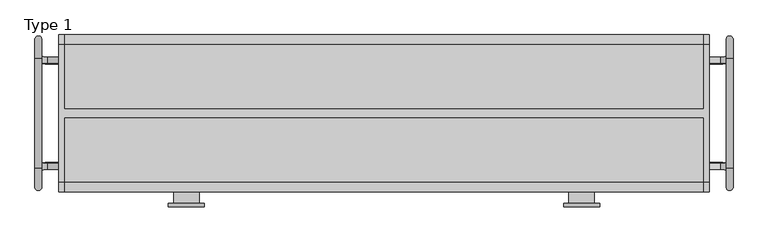
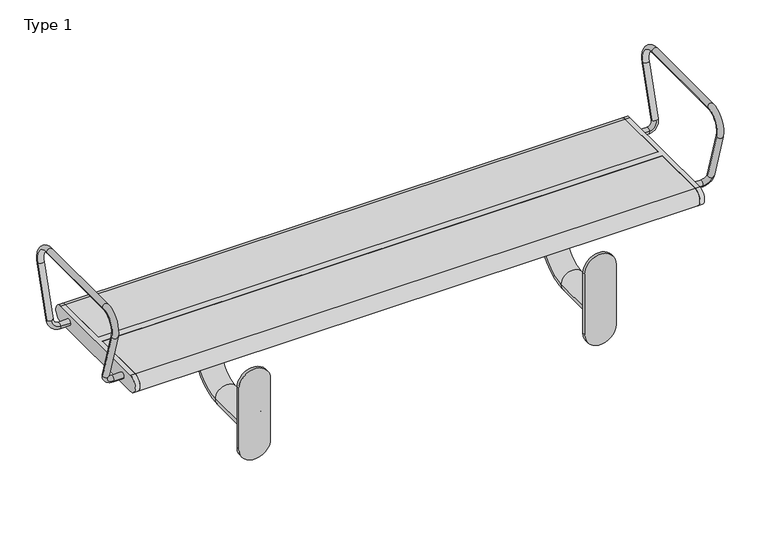
"""IFC4 building model written with IfcOpenShell, lengths in millimetres: furniture geometry, Type 1."""

from ifc_helpers import new_model, si_unit, point, frame, frame_2d, origin, place, context, project, spatial, polyline, circle_curve, ellipse_curve, trimmed, segment, composite_curve, outline, extrude, source, transform, mapped, element, save
from ifc_brep_helpers import plane_surface, cylinder_surface, revolved_surface, advanced_brep


def type_1_9a5f5e9f(model_context):
    return source(origin(), model_context, "Body", "SolidModel", [
        advanced_brep(
        [(922.0, 522.1398058, 447.5823999), (922.0, 563.6460701, 583.3432733), (938.0, 563.6460701, 583.3432733), (938.0, 522.1398058, 447.5823999), (930.0, 529.7902438, 445.2434262), (930.0, 514.4893678, 449.9213735), (938.0, 520.6123561, 641.5), (922.0, 520.6123561, 641.5), (922.0, 265.3876439, 641.5), (938.0, 265.3876439, 641.5), (922.0, 222.3539299, 583.3432733), (938.0, 222.3539299, 583.3432733), (922.0, 263.8601942, 447.5823999), (930.0, 256.2097562, 445.2434262), (938.0, 263.8601942, 447.5823999), (930.0, 271.5106322, 449.9213735), (909.0, 277.650438, 429.8389736), (909.0, 262.349562, 425.1610264), (882.0, 262.349562, 425.1610264), (882.0, 277.650438, 429.8389736), (909.0, 523.650438, 425.1610264), (909.0, 508.349562, 429.8389736), (882.0, 523.650438, 425.1610264), (882.0, 508.349562, 429.8389736)],
        [
            (0, 1),
            (1, 2, circle_curve(frame((930.0, 563.6460701, 583.3432733), z_axis=(0.0, -0.2923717047227381, -0.9563047559630351), x_axis=(-1.0, 0.0, 0.0)), 8.0)),
            (2, 3),
            (3, 4, circle_curve(frame((930.0, 522.1398058, 447.5823999), z_axis=(0.0, 0.2923717047227381, 0.9563047559630351), x_axis=(-1.0, 0.0, 0.0)), 8.0)),
            (4, 0, circle_curve(frame((930.0, 522.1398058, 447.5823999), z_axis=(0.0, 0.2923717047227381, 0.9563047559630351), x_axis=(-1.0, 0.0, 0.0)), 8.0)),
            (0, 5, circle_curve(frame((930.0, 522.1398058, 447.5823999), z_axis=(0.0, 0.2923717047227381, 0.9563047559630351), x_axis=(-1.0, 0.0, 0.0)), 8.0)),
            (5, 3, circle_curve(frame((930.0, 522.1398058, 447.5823999), z_axis=(0.0, 0.2923717047227381, 0.9563047559630351), x_axis=(-1.0, 0.0, 0.0)), 8.0)),
            (2, 1, circle_curve(frame((930.0, 563.6460701, 583.3432733), z_axis=(0.0, -0.2923717047227381, -0.9563047559630351), x_axis=(-1.0, 0.0, 0.0)), 8.0)),
            (6, 7, circle_curve(frame((930.0, 520.6123561, 641.5), z_axis=(0.0, -1.0, 0.0), x_axis=(-1.0, 0.0, 0.0)), 8.0)),
            (7, 8),
            (8, 9, circle_curve(frame((930.0, 265.3876439, 641.5), z_axis=(0.0, 1.0, 0.0), x_axis=(-1.0, 0.0, 0.0)), 8.0)),
            (9, 6),
            (7, 6, circle_curve(frame((930.0, 520.6123561, 641.5), z_axis=(0.0, -1.0, 0.0), x_axis=(-1.0, 0.0, 0.0)), 8.0)),
            (9, 8, circle_curve(frame((930.0, 265.3876439, 641.5), z_axis=(0.0, 1.0, 0.0), x_axis=(-1.0, 0.0, 0.0)), 8.0)),
            (1, 7, circle_curve(frame((922.0, 520.6123561, 596.5), z_axis=(1.0, 0.0, 0.0), x_axis=(0.0, 0.9563047559630351, -0.2923717047227379)), 45.0)),
            (6, 2, circle_curve(frame((938.0, 520.6123561, 596.5), z_axis=(-1.0, 0.0, 0.0), x_axis=(0.0, 0.9563047559630351, -0.2923717047227379)), 45.0)),
            (8, 10, circle_curve(frame((922.0, 265.3876439, 596.5), z_axis=(1.0, 0.0, 0.0), x_axis=(0.0, 0.0, 1.0)), 45.0)),
            (10, 11, circle_curve(frame((930.0, 222.3539299, 583.3432733), z_axis=(0.0, -0.29237170472274115, 0.9563047559630341), x_axis=(-1.0, 0.0, 0.0)), 8.0)),
            (11, 9, circle_curve(frame((938.0, 265.3876439, 596.5), z_axis=(-1.0, 0.0, 0.0), x_axis=(0.0, 0.0, 1.0)), 45.0)),
            (11, 10, circle_curve(frame((930.0, 222.3539299, 583.3432733), z_axis=(0.0, -0.29237170472274093, 0.9563047559630342), x_axis=(-1.0, 0.0, 0.0)), 8.0)),
            (10, 12),
            (12, 13, circle_curve(frame((930.0, 263.8601942, 447.5823999), z_axis=(0.0, -0.29237170472273494, 0.9563047559630361), x_axis=(-1.0, 0.0, 0.0)), 8.0)),
            (13, 14, circle_curve(frame((930.0, 263.8601942, 447.5823999), z_axis=(0.0, -0.29237170472273494, 0.9563047559630361), x_axis=(-1.0, 0.0, 0.0)), 8.0)),
            (14, 11),
            (14, 15, circle_curve(frame((930.0, 263.8601942, 447.5823999), z_axis=(0.0, -0.29237170472273494, 0.9563047559630361), x_axis=(-1.0, 0.0, 0.0)), 8.0)),
            (15, 12, circle_curve(frame((930.0, 263.8601942, 447.5823999), z_axis=(0.0, -0.29237170472273494, 0.9563047559630361), x_axis=(-1.0, 0.0, 0.0)), 8.0)),
            (16, 15, circle_curve(frame((909.0, 271.5106322, 449.9213735), z_axis=(0.0, -0.9563047559630359, -0.29237170472273544), x_axis=(1.0, 0.0, 0.0)), 21.0)),
            (13, 17, circle_curve(frame((909.0, 256.2097562, 445.2434262), z_axis=(0.0, 0.9563047559630359, 0.29237170472273544), x_axis=(1.0, 0.0, 0.0)), 21.0)),
            (17, 16, circle_curve(frame((909.0, 270.0, 427.5), z_axis=(1.0, 0.0, 0.0), x_axis=(0.0, 0.9563047559630359, 0.29237170472273544)), 8.0)),
            (16, 17, circle_curve(frame((909.0, 270.0, 427.5), z_axis=(1.0, 0.0, 0.0), x_axis=(0.0, 0.9563047559630359, 0.29237170472273544)), 8.0)),
            (18, 19, circle_curve(frame((882.0, 270.0, 427.5), z_axis=(-1.0, 0.0, 0.0), x_axis=(0.0, 0.956304755963036, 0.2923717047227355)), 8.0)),
            (19, 18, circle_curve(frame((882.0, 270.0, 427.5), z_axis=(-1.0, 0.0, 0.0), x_axis=(0.0, 0.956304755963036, 0.2923717047227355)), 8.0)),
            (17, 18),
            (19, 16),
            (20, 4, circle_curve(frame((909.0, 529.7902438, 445.2434262), z_axis=(0.0, -0.9563047559630359, 0.29237170472273544), x_axis=(1.0, 0.0, 0.0)), 21.0)),
            (5, 21, circle_curve(frame((909.0, 514.4893678, 449.9213735), z_axis=(0.0, 0.9563047559630359, -0.29237170472273544), x_axis=(1.0, 0.0, 0.0)), 21.0)),
            (21, 20, circle_curve(frame((909.0, 516.0, 427.5), z_axis=(1.0, 0.0, 0.0), x_axis=(0.0, -0.9563047559630359, 0.29237170472273544)), 8.0)),
            (20, 21, circle_curve(frame((909.0, 516.0, 427.5), z_axis=(1.0, 0.0, 0.0), x_axis=(0.0, -0.9563047559630359, 0.29237170472273544)), 8.0)),
            (22, 23, circle_curve(frame((882.0, 516.0, 427.5), z_axis=(-1.0, 0.0, 0.0), x_axis=(0.0, -0.956304755963036, 0.2923717047227355)), 8.0)),
            (23, 22, circle_curve(frame((882.0, 516.0, 427.5), z_axis=(-1.0, 0.0, 0.0), x_axis=(0.0, -0.956304755963036, 0.2923717047227355)), 8.0)),
            (21, 23),
            (22, 20),
        ],
        [
            cylinder_surface(frame((930.0, 522.1398058, 447.5823999), z_axis=(0.0, -0.2923717047227381, -0.9563047559630351), x_axis=(-1.0, 0.0, 0.0)), 8.0),
            cylinder_surface(frame((930.0, 520.6123561, 641.5), z_axis=(0.0, 1.0, 0.0), x_axis=(-1.0, 0.0, 0.0)), 8.0),
            revolved_surface(trimmed(ellipse_curve(frame((930.0, 563.6460701, 583.3432733), z_axis=(0.0, -0.2923717047227378, -0.9563047559630351), x_axis=(-1.0, 0.0, 0.0)), 8.0, 8.0), [point((922.0, 563.6460701, 583.3432733))], [point((938.0, 563.6460701, 583.3432733))], True, "CARTESIAN"), (125.0, 520.6123561, 596.5), (1.0, 0.0, 0.0)),
            revolved_surface(trimmed(ellipse_curve(frame((930.0, 563.6460701, 583.3432733), z_axis=(0.0, -0.2923717047227378, -0.9563047559630351), x_axis=(-1.0, 0.0, 0.0)), 8.0, 8.0), [point((938.0, 563.6460701, 583.3432733))], [point((922.0, 563.6460701, 583.3432733))], True, "CARTESIAN"), (125.0, 520.6123561, 596.5), (1.0, 0.0, 0.0)),
            revolved_surface(trimmed(ellipse_curve(frame((930.0, 265.3876439, 641.5), z_axis=(0.0, 1.0, 0.0), x_axis=(-1.0, 0.0, 0.0)), 8.0, 8.0), [point((922.0, 265.3876439, 641.5))], [point((938.0, 265.3876439, 641.5))], True, "CARTESIAN"), (125.0, 265.3876439, 596.5), (1.0, 0.0, 0.0)),
            revolved_surface(trimmed(ellipse_curve(frame((930.0, 265.3876439, 641.5), z_axis=(0.0, 1.0, 0.0), x_axis=(-1.0, 0.0, 0.0)), 8.0, 8.0), [point((938.0, 265.3876439, 641.5))], [point((922.0, 265.3876439, 641.5))], True, "CARTESIAN"), (125.0, 265.3876439, 596.5), (1.0, 0.0, 0.0)),
            cylinder_surface(frame((930.0, 222.3539299, 583.3432733), z_axis=(0.0, -0.29237170472273494, 0.9563047559630361), x_axis=(-1.0, 0.0, 0.0)), 8.0),
            revolved_surface(trimmed(ellipse_curve(frame((930.0, 263.8601942, 447.5823999), z_axis=(0.0, -0.29237170472273544, 0.9563047559630359), x_axis=(0.0, 0.9563047559630359, 0.29237170472273544)), 8.0, 8.0), [point((930.0, 256.2097562, 445.2434262))], [point((930.0, 271.5106322, 449.9213735))], True, "CARTESIAN"), (909.0, 381.4856792, 483.5441196), (0.0, 0.9563047559630359, 0.29237170472273544)),
            revolved_surface(trimmed(ellipse_curve(frame((930.0, 263.8601942, 447.5823999), z_axis=(0.0, -0.29237170472273544, 0.9563047559630359), x_axis=(0.0, 0.9563047559630359, 0.29237170472273544)), 8.0, 8.0), [point((930.0, 271.5106322, 449.9213735))], [point((930.0, 256.2097562, 445.2434262))], True, "CARTESIAN"), (909.0, 381.4856792, 483.5441196), (0.0, 0.9563047559630359, 0.29237170472273544)),
            plane_surface(frame((882.0, 387.625485, 463.4617197), z_axis=(-1.0, 0.0, 0.0), x_axis=(0.0, 0.9563047559630359, 0.29237170472273544))),
            cylinder_surface(frame((909.0, 270.0, 427.5), z_axis=(1.0, 0.0, 0.0), x_axis=(0.0, 0.956304755963036, 0.2923717047227355)), 8.0),
            revolved_surface(trimmed(ellipse_curve(frame((930.0, 522.1398058, 447.5823999), z_axis=(0.0, 0.29237170472273544, 0.9563047559630359), x_axis=(0.0, -0.9563047559630359, 0.29237170472273544)), 8.0, 8.0), [point((930.0, 514.4893678, 449.9213735))], [point((930.0, 529.7902438, 445.2434262))], True, "CARTESIAN"), (909.0, 404.5143208, 483.5441196), (0.0, 0.9563047559630359, -0.29237170472273544)),
            revolved_surface(trimmed(ellipse_curve(frame((930.0, 522.1398058, 447.5823999), z_axis=(0.0, 0.29237170472273544, 0.9563047559630359), x_axis=(0.0, -0.9563047559630359, 0.29237170472273544)), 8.0, 8.0), [point((930.0, 529.7902438, 445.2434262))], [point((930.0, 514.4893678, 449.9213735))], True, "CARTESIAN"), (909.0, 404.5143208, 483.5441196), (0.0, 0.9563047559630359, -0.29237170472273544)),
            plane_surface(frame((882.0, 398.374515, 463.4617197), z_axis=(-1.0, 0.0, 0.0), x_axis=(0.0, -0.9563047559630359, 0.29237170472273544))),
            cylinder_surface(frame((909.0, 516.0, 427.5), z_axis=(1.0, 0.0, 0.0), x_axis=(0.0, -0.956304755963036, 0.2923717047227355)), 8.0),
        ],
        [
            (0, [[1, 2, 3, 4, 5]]),
            (0, [[-1, 6, 7, -3, 8]]),
            (1, [[9, 10, 11, 12]]),
            (1, [[-10, 13, -12, 14]]),
            (2, [[-2, 15, -9, 16]]),
            (3, [[-8, -16, -13, -15]]),
            (4, [[-11, 17, 18, 19]]),
            (5, [[-14, -19, 20, -17]]),
            (6, [[-18, 21, 22, 23, 24]]),
            (6, [[-20, -24, 25, 26, -21]]),
            (7, [[27, -25, -23, 28, 29]]),
            (8, [[-27, 30, -28, -22, -26]]),
            (9, [[31, 32]]),
            (10, [[-29, 33, -32, 34]]),
            (10, [[-30, -34, -31, -33]]),
            (11, [[35, -4, -7, 36, 37]]),
            (12, [[-35, 38, -36, -6, -5]]),
            (13, [[39, 40]]),
            (14, [[-37, 41, -39, 42]]),
            (14, [[-38, -42, -40, -41]]),
        ],
    ),
        advanced_brep(
        [(-659.0, 262.349562, 425.1610264), (-680.0, 256.2097562, 445.2434262), (-688.0, 263.8601942, 447.5823999), (-680.0, 271.5106322, 449.9213735), (-659.0, 277.650438, 429.8389736), (-672.0, 263.8601942, 447.5823999), (-632.0, 262.349562, 425.1610264), (-632.0, 277.650438, 429.8389736), (-688.0, 522.1398058, 447.5823999), (-688.0, 563.6460701, 583.3432733), (-672.0, 563.6460701, 583.3432733), (-672.0, 522.1398058, 447.5823999), (-680.0, 529.7902438, 445.2434262), (-680.0, 514.4893678, 449.9213735), (-672.0, 520.6123561, 641.5), (-688.0, 520.6123561, 641.5), (-688.0, 265.3876439, 641.5), (-672.0, 265.3876439, 641.5), (-688.0, 222.3539299, 583.3432733), (-672.0, 222.3539299, 583.3432733), (-659.0, 508.349562, 429.8389736), (-659.0, 523.650438, 425.1610264), (-632.0, 523.650438, 425.1610264), (-632.0, 508.349562, 429.8389736)],
        [
            (0, 1, circle_curve(frame((-659.0, 256.2097562, 445.2434262), z_axis=(0.0, 0.9563047559630359, 0.29237170472273544), x_axis=(-1.0, 0.0, 0.0)), 21.0)),
            (1, 2, circle_curve(frame((-680.0, 263.8601942, 447.5823999), z_axis=(0.0, 0.29237170472273544, -0.9563047559630359), x_axis=(0.0, 0.9563047559630359, 0.29237170472273544)), 8.0)),
            (2, 3, circle_curve(frame((-680.0, 263.8601942, 447.5823999), z_axis=(0.0, 0.29237170472273544, -0.9563047559630359), x_axis=(0.0, 0.9563047559630359, 0.29237170472273544)), 8.0)),
            (3, 4, circle_curve(frame((-659.0, 271.5106322, 449.9213735), z_axis=(0.0, -0.9563047559630359, -0.29237170472273544), x_axis=(-1.0, 0.0, 0.0)), 21.0)),
            (4, 0, circle_curve(frame((-659.0, 270.0, 427.5), z_axis=(-1.0, 0.0, 0.0), x_axis=(0.0, 0.9563047559630359, 0.29237170472273544)), 8.0)),
            (0, 4, circle_curve(frame((-659.0, 270.0, 427.5), z_axis=(-1.0, 0.0, 0.0), x_axis=(0.0, 0.9563047559630359, 0.29237170472273544)), 8.0)),
            (3, 5, circle_curve(frame((-680.0, 263.8601942, 447.5823999), z_axis=(0.0, 0.29237170472273544, -0.9563047559630359), x_axis=(0.0, 0.9563047559630359, 0.29237170472273544)), 8.0)),
            (5, 1, circle_curve(frame((-680.0, 263.8601942, 447.5823999), z_axis=(0.0, 0.29237170472273544, -0.9563047559630359), x_axis=(0.0, 0.9563047559630359, 0.29237170472273544)), 8.0)),
            (6, 7, circle_curve(frame((-632.0, 270.0, 427.5), z_axis=(1.0, 0.0, 0.0), x_axis=(0.0, 0.956304755963036, 0.2923717047227355)), 8.0)),
            (7, 6, circle_curve(frame((-632.0, 270.0, 427.5), z_axis=(1.0, 0.0, 0.0), x_axis=(0.0, 0.956304755963036, 0.2923717047227355)), 8.0)),
            (4, 7),
            (6, 0),
            (8, 9),
            (9, 10, circle_curve(frame((-680.0, 563.6460701, 583.3432733), z_axis=(0.0, -0.2923717047227381, -0.9563047559630351), x_axis=(1.0, 0.0, 0.0)), 8.0)),
            (10, 11),
            (11, 12, circle_curve(frame((-680.0, 522.1398058, 447.5823999), z_axis=(0.0, 0.2923717047227381, 0.9563047559630351), x_axis=(1.0, 0.0, 0.0)), 8.0)),
            (12, 8, circle_curve(frame((-680.0, 522.1398058, 447.5823999), z_axis=(0.0, 0.2923717047227381, 0.9563047559630351), x_axis=(1.0, 0.0, 0.0)), 8.0)),
            (8, 13, circle_curve(frame((-680.0, 522.1398058, 447.5823999), z_axis=(0.0, 0.2923717047227381, 0.9563047559630351), x_axis=(1.0, 0.0, 0.0)), 8.0)),
            (13, 11, circle_curve(frame((-680.0, 522.1398058, 447.5823999), z_axis=(0.0, 0.2923717047227381, 0.9563047559630351), x_axis=(1.0, 0.0, 0.0)), 8.0)),
            (10, 9, circle_curve(frame((-680.0, 563.6460701, 583.3432733), z_axis=(0.0, -0.2923717047227381, -0.9563047559630351), x_axis=(1.0, 0.0, 0.0)), 8.0)),
            (14, 15, circle_curve(frame((-680.0, 520.6123561, 641.5), z_axis=(0.0, -1.0, 0.0), x_axis=(1.0, 0.0, 0.0)), 8.0)),
            (15, 16),
            (16, 17, circle_curve(frame((-680.0, 265.3876439, 641.5), z_axis=(0.0, 1.0, 0.0), x_axis=(1.0, 0.0, 0.0)), 8.0)),
            (17, 14),
            (15, 14, circle_curve(frame((-680.0, 520.6123561, 641.5), z_axis=(0.0, -1.0, 0.0), x_axis=(1.0, 0.0, 0.0)), 8.0)),
            (17, 16, circle_curve(frame((-680.0, 265.3876439, 641.5), z_axis=(0.0, 1.0, 0.0), x_axis=(1.0, 0.0, 0.0)), 8.0)),
            (9, 15, circle_curve(frame((-688.0, 520.6123561, 596.5), z_axis=(1.0, 0.0, 0.0), x_axis=(0.0, 0.9563047559630351, -0.2923717047227379)), 45.0)),
            (14, 10, circle_curve(frame((-672.0, 520.6123561, 596.5), z_axis=(-1.0, 0.0, 0.0), x_axis=(0.0, 0.9563047559630351, -0.2923717047227379)), 45.0)),
            (16, 18, circle_curve(frame((-688.0, 265.3876439, 596.5), z_axis=(1.0, 0.0, 0.0), x_axis=(0.0, 0.0, 1.0)), 45.0)),
            (18, 19, circle_curve(frame((-680.0, 222.3539299, 583.3432733), z_axis=(0.0, -0.2923717047227414, 0.9563047559630341), x_axis=(1.0, 0.0, 0.0)), 8.0)),
            (19, 17, circle_curve(frame((-672.0, 265.3876439, 596.5), z_axis=(-1.0, 0.0, 0.0), x_axis=(0.0, 0.0, 1.0)), 45.0)),
            (19, 18, circle_curve(frame((-680.0, 222.3539299, 583.3432733), z_axis=(0.0, -0.2923717047227414, 0.9563047559630341), x_axis=(1.0, 0.0, 0.0)), 8.0)),
            (18, 2),
            (5, 19),
            (20, 13, circle_curve(frame((-659.0, 514.4893678, 449.9213735), z_axis=(0.0, 0.9563047559630359, -0.29237170472273544), x_axis=(-1.0, 0.0, 0.0)), 21.0)),
            (12, 21, circle_curve(frame((-659.0, 529.7902438, 445.2434262), z_axis=(0.0, -0.9563047559630359, 0.29237170472273544), x_axis=(-1.0, 0.0, 0.0)), 21.0)),
            (21, 20, circle_curve(frame((-659.0, 516.0, 427.5), z_axis=(-1.0, 0.0, 0.0), x_axis=(0.0, -0.9563047559630359, 0.29237170472273544)), 8.0)),
            (20, 21, circle_curve(frame((-659.0, 516.0, 427.5), z_axis=(-1.0, 0.0, 0.0), x_axis=(0.0, -0.9563047559630359, 0.29237170472273544)), 8.0)),
            (22, 23, circle_curve(frame((-632.0, 516.0, 427.5), z_axis=(1.0, 0.0, 0.0), x_axis=(0.0, -0.956304755963036, 0.2923717047227355)), 8.0)),
            (23, 22, circle_curve(frame((-632.0, 516.0, 427.5), z_axis=(1.0, 0.0, 0.0), x_axis=(0.0, -0.956304755963036, 0.2923717047227355)), 8.0)),
            (21, 22),
            (23, 20),
        ],
        [
            revolved_surface(trimmed(ellipse_curve(frame((-680.0, 263.8601942, 447.5823999), z_axis=(0.0, -0.29237170472273544, 0.9563047559630359), x_axis=(0.0, 0.9563047559630359, 0.29237170472273544)), 8.0, 8.0), [point((-680.0, 271.5106322, 449.9213735))], [point((-680.0, 256.2097562, 445.2434262))], True, "CARTESIAN"), (-659.0, 381.4856792, 483.5441196), (0.0, -0.9563047559630359, -0.29237170472273544)),
            revolved_surface(trimmed(ellipse_curve(frame((-680.0, 263.8601942, 447.5823999), z_axis=(0.0, -0.29237170472273544, 0.9563047559630359), x_axis=(0.0, 0.9563047559630359, 0.29237170472273544)), 8.0, 8.0), [point((-680.0, 256.2097562, 445.2434262))], [point((-680.0, 271.5106322, 449.9213735))], True, "CARTESIAN"), (-659.0, 381.4856792, 483.5441196), (0.0, -0.9563047559630359, -0.29237170472273544)),
            plane_surface(frame((-632.0, 387.625485, 463.4617197), z_axis=(1.0, 0.0, 0.0), x_axis=(0.0, 0.9563047559630359, 0.29237170472273544))),
            cylinder_surface(frame((-659.0, 270.0, 427.5), z_axis=(-1.0, 0.0, 0.0), x_axis=(0.0, 0.956304755963036, 0.2923717047227355)), 8.0),
            cylinder_surface(frame((-680.0, 522.1398058, 447.5823999), z_axis=(0.0, -0.2923717047227381, -0.9563047559630351), x_axis=(1.0, 0.0, 0.0)), 8.0),
            cylinder_surface(frame((-680.0, 520.6123561, 641.5), z_axis=(0.0, 1.0, 0.0), x_axis=(1.0, 0.0, 0.0)), 8.0),
            revolved_surface(trimmed(ellipse_curve(frame((-680.0, 563.6460701, 583.3432733), z_axis=(0.0, -0.2923717047227378, -0.9563047559630351), x_axis=(1.0, 0.0, 0.0)), 8.0, 8.0), [point((-688.0, 563.6460701, 583.3432733))], [point((-672.0, 563.6460701, 583.3432733))], True, "CARTESIAN"), (125.0, 520.6123561, 596.5), (1.0, 0.0, 0.0)),
            revolved_surface(trimmed(ellipse_curve(frame((-680.0, 563.6460701, 583.3432733), z_axis=(0.0, -0.2923717047227378, -0.9563047559630351), x_axis=(1.0, 0.0, 0.0)), 8.0, 8.0), [point((-672.0, 563.6460701, 583.3432733))], [point((-688.0, 563.6460701, 583.3432733))], True, "CARTESIAN"), (125.0, 520.6123561, 596.5), (1.0, 0.0, 0.0)),
            revolved_surface(trimmed(ellipse_curve(frame((-680.0, 265.3876439, 641.5), z_axis=(0.0, 1.0, 0.0), x_axis=(1.0, 0.0, 0.0)), 8.0, 8.0), [point((-688.0, 265.3876439, 641.5))], [point((-672.0, 265.3876439, 641.5))], True, "CARTESIAN"), (125.0, 265.3876439, 596.5), (1.0, 0.0, 0.0)),
            revolved_surface(trimmed(ellipse_curve(frame((-680.0, 265.3876439, 641.5), z_axis=(0.0, 1.0, 0.0), x_axis=(1.0, 0.0, 0.0)), 8.0, 8.0), [point((-672.0, 265.3876439, 641.5))], [point((-688.0, 265.3876439, 641.5))], True, "CARTESIAN"), (125.0, 265.3876439, 596.5), (1.0, 0.0, 0.0)),
            cylinder_surface(frame((-680.0, 222.3539299, 583.3432733), z_axis=(0.0, -0.29237170472273494, 0.9563047559630361), x_axis=(1.0, 0.0, 0.0)), 8.0),
            revolved_surface(trimmed(ellipse_curve(frame((-680.0, 522.1398058, 447.5823999), z_axis=(0.0, 0.29237170472273544, 0.9563047559630359), x_axis=(0.0, -0.9563047559630359, 0.29237170472273544)), 8.0, 8.0), [point((-680.0, 529.7902438, 445.2434262))], [point((-680.0, 514.4893678, 449.9213735))], True, "CARTESIAN"), (-659.0, 404.5143208, 483.5441196), (0.0, -0.9563047559630359, 0.29237170472273544)),
            revolved_surface(trimmed(ellipse_curve(frame((-680.0, 522.1398058, 447.5823999), z_axis=(0.0, 0.29237170472273544, 0.9563047559630359), x_axis=(0.0, -0.9563047559630359, 0.29237170472273544)), 8.0, 8.0), [point((-680.0, 514.4893678, 449.9213735))], [point((-680.0, 529.7902438, 445.2434262))], True, "CARTESIAN"), (-659.0, 404.5143208, 483.5441196), (0.0, -0.9563047559630359, 0.29237170472273544)),
            plane_surface(frame((-632.0, 398.374515, 463.4617197), z_axis=(1.0, 0.0, 0.0), x_axis=(0.0, -0.9563047559630359, 0.29237170472273544))),
            cylinder_surface(frame((-659.0, 516.0, 427.5), z_axis=(-1.0, 0.0, 0.0), x_axis=(0.0, -0.956304755963036, 0.2923717047227355)), 8.0),
        ],
        [
            (0, [[1, 2, 3, 4, 5]]),
            (1, [[-1, 6, -4, 7, 8]]),
            (2, [[9, 10]]),
            (3, [[-5, 11, -9, 12]]),
            (3, [[-6, -12, -10, -11]]),
            (4, [[13, 14, 15, 16, 17]]),
            (4, [[-13, 18, 19, -15, 20]]),
            (5, [[21, 22, 23, 24]]),
            (5, [[-22, 25, -24, 26]]),
            (6, [[-14, 27, -21, 28]]),
            (7, [[-20, -28, -25, -27]]),
            (8, [[-23, 29, 30, 31]]),
            (9, [[-26, -31, 32, -29]]),
            (10, [[-30, 33, -2, -8, 34]]),
            (10, [[-32, -34, -7, -3, -33]]),
            (11, [[35, -18, -17, 36, 37]]),
            (12, [[-35, 38, -36, -16, -19]]),
            (13, [[39, 40]]),
            (14, [[-37, 41, -40, 42]]),
            (14, [[-38, -42, -39, -41]]),
        ],
    ),
        advanced_brep(
        [(882.0, 232.5, 405.0), (882.0, 553.5, 405.0), (882.0, 553.5, 450.0), (882.0, 232.5, 450.0), (870.0, 232.5, 405.0), (870.0, 232.5, 450.0), (870.0, 383.0, 450.0), (870.0, 383.0, 405.0), (870.0, 553.5, 450.0), (870.0, 553.5, 405.0), (870.0, 403.0, 405.0), (870.0, 403.0, 450.0), (-620.0, 403.0, 450.0), (-620.0, 553.5, 450.0), (-632.0, 553.5, 450.0), (-632.0, 232.5, 450.0), (-620.0, 232.5, 450.0), (-620.0, 383.0, 450.0), (-620.0, 383.0, 405.0), (-620.0, 232.5, 405.0), (-632.0, 232.5, 405.0), (-632.0, 553.5, 405.0), (-620.0, 553.5, 405.0), (-620.0, 403.0, 405.0)],
        [
            (0, 1),
            (1, 2, circle_curve(frame((882.0, 553.5, 427.5), z_axis=(1.0, 0.0, 0.0), x_axis=(0.0, 1.0, 0.0)), 22.5)),
            (2, 3),
            (3, 0, circle_curve(frame((882.0, 232.5, 427.5), z_axis=(1.0, 0.0, 0.0), x_axis=(0.0, -1.0, 0.0)), 22.5)),
            (4, 5, circle_curve(frame((870.0, 232.5, 427.5), z_axis=(-1.0, 0.0, 0.0), x_axis=(0.0, -1.0, 0.0)), 22.5)),
            (5, 6),
            (6, 7),
            (7, 4),
            (8, 9, circle_curve(frame((870.0, 553.5, 427.5), z_axis=(-1.0, 0.0, 0.0), x_axis=(0.0, 1.0, 0.0)), 22.5)),
            (9, 10),
            (10, 11),
            (11, 8),
            (2, 8),
            (11, 12),
            (12, 13),
            (13, 14),
            (14, 15),
            (15, 16),
            (16, 17),
            (17, 6),
            (5, 3),
            (0, 4),
            (7, 18),
            (18, 19),
            (19, 20),
            (20, 21),
            (21, 22),
            (22, 23),
            (23, 10),
            (9, 1),
            (17, 18),
            (23, 12),
            (22, 13, circle_curve(frame((-620.0, 553.5, 427.5), z_axis=(1.0, 0.0, 0.0), x_axis=(0.0, -1.0, 0.0)), 22.5)),
            (16, 19, circle_curve(frame((-620.0, 232.5, 427.5), z_axis=(1.0, 0.0, 0.0), x_axis=(0.0, -1.0, 0.0)), 22.5)),
            (20, 15, circle_curve(frame((-632.0, 232.5, 427.5), z_axis=(-1.0, 0.0, 0.0), x_axis=(0.0, -1.0, 0.0)), 22.5)),
            (14, 21, circle_curve(frame((-632.0, 553.5, 427.5), z_axis=(-1.0, 0.0, 0.0), x_axis=(0.0, -1.0, 0.0)), 22.5)),
        ],
        [
            plane_surface(frame((882.0, 553.5, 405.0), z_axis=(1.0, 0.0, 0.0), x_axis=(0.0, 1.0, 0.0))),
            plane_surface(frame((870.0, 553.5, 405.0), z_axis=(-1.0, 0.0, 0.0), x_axis=(0.0, -1.0, 0.0))),
            plane_surface(frame((882.0, 553.5, 450.0), z_axis=(0.0, 0.0, 1.0), x_axis=(-1.0, 0.0, 0.0))),
            plane_surface(frame((882.0, 232.5, 405.0), z_axis=(0.0, 0.0, -1.0), x_axis=(-1.0, 0.0, 0.0))),
            cylinder_surface(frame((870.0, 232.5, 427.5), z_axis=(1.0, 0.0, 0.0), x_axis=(0.0, -1.0, 0.0)), 22.5),
            cylinder_surface(frame((870.0, 553.5, 427.5), z_axis=(1.0, 0.0, 0.0), x_axis=(0.0, 1.0, 0.0)), 22.5),
            plane_surface(frame((870.0, 383.0, 450.0), z_axis=(0.0, -1.0, 0.0), x_axis=(-1.0, 0.0, 0.0))),
            plane_surface(frame((870.0, 403.0, 405.0), z_axis=(0.0, 1.0, 0.0), x_axis=(-1.0, 0.0, 0.0))),
            plane_surface(frame((-620.0, 553.5, 405.0), z_axis=(1.0, 0.0, 0.0), x_axis=(0.0, 1.0, 0.0))),
            plane_surface(frame((-632.0, 553.5, 405.0), z_axis=(-1.0, 0.0, 0.0), x_axis=(0.0, -1.0, 0.0))),
            cylinder_surface(frame((-632.0, 232.5, 427.5), z_axis=(1.0, 0.0, 0.0), x_axis=(0.0, -1.0, 0.0)), 22.5),
            cylinder_surface(frame((-632.0, 553.5, 427.5), z_axis=(1.0, 0.0, 0.0), x_axis=(0.0, -1.0, 0.0)), 22.5),
        ],
        [
            (0, [[1, 2, 3, 4]]),
            (1, [[5, 6, 7, 8]]),
            (1, [[9, 10, 11, 12]]),
            (2, [[-3, 13, -12, 14, 15, 16, 17, 18, 19, 20, -6, 21]]),
            (3, [[-1, 22, -8, 23, 24, 25, 26, 27, 28, 29, -10, 30]]),
            (4, [[-4, -21, -5, -22]]),
            (5, [[-2, -30, -9, -13]]),
            (6, [[-20, 31, -23, -7]]),
            (7, [[-14, -11, -29, 32]]),
            (8, [[33, -15, -32, -28]]),
            (8, [[34, -24, -31, -19]]),
            (9, [[35, -17, 36, -26]]),
            (10, [[-34, -18, -35, -25]]),
            (11, [[-33, -27, -36, -16]]),
        ],
    ),
        extrude(outline(composite_curve([segment(polyline([(403.0, 405.0), (403.0, 450.0), (553.5, 450.0)]), True, "CONTINUOUS"), segment(trimmed(circle_curve(frame_2d((553.5, 427.5)), 22.5), [point((553.5, 450.0))], [point((553.5, 405.0))], False, "CARTESIAN"), True, "CONTINUOUS"), segment(polyline([(553.5, 405.0), (403.0, 405.0)]), True, "CONTINUOUS")], self_intersect=False)), frame((-620.0, 0.0, 0.0), z_axis=(1.0, 0.0, 0.0), x_axis=(0.0, 1.0, 0.0)), (0.0, 0.0, 1.0), 1490.0),
        extrude(outline(composite_curve([segment(polyline([(383.0, 405.0), (232.5, 405.0)]), True, "CONTINUOUS"), segment(trimmed(circle_curve(frame_2d((232.5, 427.5)), 22.5), [point((232.5, 405.0))], [point((232.5, 450.0))], False, "CARTESIAN"), True, "CONTINUOUS"), segment(polyline([(232.5, 450.0), (383.0, 450.0), (383.0, 405.0)]), True, "CONTINUOUS")], self_intersect=False)), frame((-620.0, 0.0, 0.0), z_axis=(1.0, 0.0, 0.0), x_axis=(0.0, 1.0, 0.0)), (0.0, 0.0, 1.0), 1490.0),
        extrude(outline(composite_curve([segment(trimmed(circle_curve(frame_2d((357.0801223, 585.0)), 41.9108501), [point((357.0801223, 626.9108501))], [point((357.0801223, 543.0891499))], False, "CARTESIAN"), True, "CONTINUOUS"), segment(polyline([(357.0801223, 543.0891499), (187.0801223, 543.0891499)]), True, "CONTINUOUS"), segment(trimmed(circle_curve(frame_2d((187.0801223, 585.0)), 41.9108501), [point((187.0801223, 543.0891499))], [point((187.0801223, 626.9108501))], False, "CARTESIAN"), True, "CONTINUOUS"), segment(polyline([(187.0801223, 626.9108501), (357.0801223, 626.9108501)]), True, "CONTINUOUS")], self_intersect=False)), frame((0.0, 175.0, 0.0), z_axis=(0.0, 1.0, 0.0), x_axis=(0.0, 0.0, 1.0)), (0.0, 0.0, 1.0), 8.0),
        advanced_brep(
        [(510.0, 518.0, 405.0), (510.0, 518.0, 389.0), (510.0, 268.0, 389.0), (510.0, 268.0, 405.0), (660.0, 518.0, 405.0), (660.0, 268.0, 405.0), (660.0, 268.0, 389.0), (660.0, 518.0, 389.0), (615.0, 393.0, 389.0), (555.0, 393.0, 389.0), (555.0, 183.0, 246.9999952), (615.0, 183.0, 246.9999952), (555.0, 302.9999981, 246.9999952), (615.0, 302.9999981, 246.9999952), (555.0, 393.0, 336.9999971), (615.0, 393.0, 336.9999971)],
        [
            (0, 1),
            (1, 2),
            (2, 3),
            (3, 0),
            (4, 5),
            (5, 6),
            (6, 7),
            (7, 4),
            (0, 4),
            (7, 1),
            (6, 2),
            (8, 9, circle_curve(frame((585.0, 393.0, 389.0), z_axis=(0.0, 0.0, 1.0), x_axis=(1.0, 0.0, 0.0)), 30.0)),
            (9, 8, circle_curve(frame((585.0, 393.0, 389.0), z_axis=(0.0, 0.0, 1.0), x_axis=(1.0, 0.0, 0.0)), 30.0)),
            (5, 3),
            (10, 11, circle_curve(frame((585.0, 183.0, 246.9999952), z_axis=(0.0, -1.0, 0.0), x_axis=(1.0, 0.0, 0.0)), 30.0)),
            (11, 10, circle_curve(frame((585.0, 183.0, 246.9999952), z_axis=(0.0, -1.0, 0.0), x_axis=(1.0, 0.0, 0.0)), 30.0)),
            (10, 12),
            (12, 13, circle_curve(frame((585.0, 302.9999981, 246.9999952), z_axis=(0.0, -1.0, 0.0), x_axis=(1.0, 0.0, 0.0)), 30.0)),
            (13, 11),
            (13, 12, circle_curve(frame((585.0, 302.9999981, 246.9999952), z_axis=(0.0, -1.0, 0.0), x_axis=(1.0, 0.0, 0.0)), 30.0)),
            (12, 14, circle_curve(frame((555.0, 302.9999981, 336.9999971), z_axis=(1.0, 0.0, 0.0), x_axis=(0.0, 0.0, -1.0)), 90.0000019)),
            (14, 15, circle_curve(frame((585.0, 393.0, 336.9999971), z_axis=(0.0, 0.0, -1.0), x_axis=(1.0, 0.0, 0.0)), 30.0)),
            (15, 13, circle_curve(frame((615.0, 302.9999981, 336.9999971), z_axis=(-1.0, 0.0, 0.0), x_axis=(0.0, 0.0, -1.0)), 90.0000019)),
            (15, 14, circle_curve(frame((585.0, 393.0, 336.9999971), z_axis=(0.0, 0.0, -1.0), x_axis=(1.0, 0.0, 0.0)), 30.0)),
            (14, 9),
            (8, 15),
        ],
        [
            plane_surface(frame((510.0, 518.0, 405.0), z_axis=(-1.0, 0.0, 0.0), x_axis=(0.0, 0.0, -1.0))),
            plane_surface(frame((660.0, 518.0, 405.0), z_axis=(1.0, 0.0, 0.0), x_axis=(0.0, 0.0, 1.0))),
            plane_surface(frame((510.0, 518.0, 405.0), z_axis=(0.0, 1.0, 0.0), x_axis=(1.0, 0.0, 0.0))),
            plane_surface(frame((510.0, 518.0, 389.0), z_axis=(0.0, 0.0, -1.0), x_axis=(1.0, 0.0, 0.0))),
            plane_surface(frame((510.0, 268.0, 389.0), z_axis=(0.0, -1.0, 0.0), x_axis=(1.0, 0.0, 0.0))),
            plane_surface(frame((510.0, 268.0, 405.0), z_axis=(0.0, 0.0, 1.0), x_axis=(1.0, 0.0, 0.0))),
            plane_surface(frame((585.0, 183.0, 246.9999952), z_axis=(0.0, -1.0, 0.0), x_axis=(-1.0, 0.0, 0.0))),
            cylinder_surface(frame((585.0, 183.0, 246.9999952), z_axis=(0.0, -1.0, 0.0), x_axis=(1.0, 0.0, 0.0)), 30.0),
            revolved_surface(trimmed(ellipse_curve(frame((585.0, 302.9999981, 246.9999952), z_axis=(0.0, -1.0, 0.0), x_axis=(1.0, 0.0, 0.0)), 30.0, 30.0), [point((555.0, 302.9999981, 246.9999952))], [point((615.0, 302.9999981, 246.9999952))], True, "CARTESIAN"), (585.0, 302.9999981, 336.9999971), (1.0, 0.0, 0.0)),
            revolved_surface(trimmed(ellipse_curve(frame((585.0, 302.9999981, 246.9999952), z_axis=(0.0, -1.0, 0.0), x_axis=(1.0, 0.0, 0.0)), 30.0, 30.0), [point((615.0, 302.9999981, 246.9999952))], [point((555.0, 302.9999981, 246.9999952))], True, "CARTESIAN"), (585.0, 302.9999981, 336.9999971), (1.0, 0.0, 0.0)),
            cylinder_surface(frame((585.0, 393.0, 336.9999971), z_axis=(0.0, 0.0, -1.0), x_axis=(1.0, 0.0, 0.0)), 30.0),
        ],
        [
            (0, [[1, 2, 3, 4]]),
            (1, [[5, 6, 7, 8]]),
            (2, [[-1, 9, -8, 10]]),
            (3, [[-2, -10, -7, 11], [12, 13]]),
            (4, [[-3, -11, -6, 14]]),
            (5, [[-4, -14, -5, -9]]),
            (6, [[15, 16]]),
            (7, [[-15, 17, 18, 19]]),
            (7, [[-16, -19, 20, -17]]),
            (8, [[-18, 21, 22, 23]]),
            (9, [[-20, -23, 24, -21]]),
            (10, [[-22, 25, -12, 26]]),
            (10, [[-24, -26, -13, -25]]),
        ],
    ),
        extrude(outline(composite_curve([segment(trimmed(circle_curve(frame_2d((357.0801223, -335.0)), 41.9108501), [point((357.0801223, -293.0891499))], [point((357.0801223, -376.9108501))], False, "CARTESIAN"), True, "CONTINUOUS"), segment(polyline([(357.0801223, -376.9108501), (187.0801223, -376.9108501)]), True, "CONTINUOUS"), segment(trimmed(circle_curve(frame_2d((187.0801223, -335.0)), 41.9108501), [point((187.0801223, -376.9108501))], [point((187.0801223, -293.0891499))], False, "CARTESIAN"), True, "CONTINUOUS"), segment(polyline([(187.0801223, -293.0891499), (357.0801223, -293.0891499)]), True, "CONTINUOUS")], self_intersect=False)), frame((0.0, 175.0, 0.0), z_axis=(0.0, 1.0, 0.0), x_axis=(0.0, 0.0, 1.0)), (0.0, 0.0, 1.0), 8.0),
        advanced_brep(
        [(-410.0, 518.0, 405.0), (-410.0, 518.0, 389.0), (-410.0, 268.0, 389.0), (-410.0, 268.0, 405.0), (-260.0, 518.0, 405.0), (-260.0, 268.0, 405.0), (-260.0, 268.0, 389.0), (-260.0, 518.0, 389.0), (-305.0, 393.0, 389.0), (-365.0, 393.0, 389.0), (-365.0, 183.0, 246.9999952), (-305.0, 183.0, 246.9999952), (-365.0, 302.9999981, 246.9999952), (-305.0, 302.9999981, 246.9999952), (-365.0, 393.0, 336.9999971), (-305.0, 393.0, 336.9999971)],
        [
            (0, 1),
            (1, 2),
            (2, 3),
            (3, 0),
            (4, 5),
            (5, 6),
            (6, 7),
            (7, 4),
            (0, 4),
            (7, 1),
            (6, 2),
            (8, 9, circle_curve(frame((-335.0, 393.0, 389.0), z_axis=(0.0, 0.0, 1.0), x_axis=(1.0, 0.0, 0.0)), 30.0)),
            (9, 8, circle_curve(frame((-335.0, 393.0, 389.0), z_axis=(0.0, 0.0, 1.0), x_axis=(1.0, 0.0, 0.0)), 30.0)),
            (5, 3),
            (10, 11, circle_curve(frame((-335.0, 183.0, 246.9999952), z_axis=(0.0, -1.0, 0.0), x_axis=(1.0, 0.0, 0.0)), 30.0)),
            (11, 10, circle_curve(frame((-335.0, 183.0, 246.9999952), z_axis=(0.0, -1.0, 0.0), x_axis=(1.0, 0.0, 0.0)), 30.0)),
            (10, 12),
            (12, 13, circle_curve(frame((-335.0, 302.9999981, 246.9999952), z_axis=(0.0, -1.0, 0.0), x_axis=(1.0, 0.0, 0.0)), 30.0)),
            (13, 11),
            (13, 12, circle_curve(frame((-335.0, 302.9999981, 246.9999952), z_axis=(0.0, -1.0, 0.0), x_axis=(1.0, 0.0, 0.0)), 30.0)),
            (12, 14, circle_curve(frame((-365.0, 302.9999981, 336.9999971), z_axis=(1.0, 0.0, 0.0), x_axis=(0.0, 0.0, -1.0)), 90.0000019)),
            (14, 15, circle_curve(frame((-335.0, 393.0, 336.9999971), z_axis=(0.0, 0.0, -1.0), x_axis=(1.0, 0.0, 0.0)), 30.0)),
            (15, 13, circle_curve(frame((-305.0, 302.9999981, 336.9999971), z_axis=(-1.0, 0.0, 0.0), x_axis=(0.0, 0.0, -1.0)), 90.0000019)),
            (15, 14, circle_curve(frame((-335.0, 393.0, 336.9999971), z_axis=(0.0, 0.0, -1.0), x_axis=(1.0, 0.0, 0.0)), 30.0)),
            (14, 9),
            (8, 15),
        ],
        [
            plane_surface(frame((-410.0, 518.0, 405.0), z_axis=(-1.0, 0.0, 0.0), x_axis=(0.0, 0.0, -1.0))),
            plane_surface(frame((-260.0, 518.0, 405.0), z_axis=(1.0, 0.0, 0.0), x_axis=(0.0, 0.0, 1.0))),
            plane_surface(frame((-410.0, 518.0, 405.0), z_axis=(0.0, 1.0, 0.0), x_axis=(1.0, 0.0, 0.0))),
            plane_surface(frame((-410.0, 518.0, 389.0), z_axis=(0.0, 0.0, -1.0), x_axis=(1.0, 0.0, 0.0))),
            plane_surface(frame((-410.0, 268.0, 389.0), z_axis=(0.0, -1.0, 0.0), x_axis=(1.0, 0.0, 0.0))),
            plane_surface(frame((-410.0, 268.0, 405.0), z_axis=(0.0, 0.0, 1.0), x_axis=(1.0, 0.0, 0.0))),
            plane_surface(frame((-335.0, 183.0, 246.9999952), z_axis=(0.0, -1.0, 0.0), x_axis=(-1.0, 0.0, 0.0))),
            cylinder_surface(frame((-335.0, 183.0, 246.9999952), z_axis=(0.0, -1.0, 0.0), x_axis=(1.0, 0.0, 0.0)), 30.0),
            revolved_surface(trimmed(ellipse_curve(frame((-335.0, 302.9999981, 246.9999952), z_axis=(0.0, -1.0, 0.0), x_axis=(1.0, 0.0, 0.0)), 30.0, 30.0), [point((-365.0, 302.9999981, 246.9999952))], [point((-305.0, 302.9999981, 246.9999952))], True, "CARTESIAN"), (-335.0, 302.9999981, 336.9999971), (1.0, 0.0, 0.0)),
            revolved_surface(trimmed(ellipse_curve(frame((-335.0, 302.9999981, 246.9999952), z_axis=(0.0, -1.0, 0.0), x_axis=(1.0, 0.0, 0.0)), 30.0, 30.0), [point((-305.0, 302.9999981, 246.9999952))], [point((-365.0, 302.9999981, 246.9999952))], True, "CARTESIAN"), (-335.0, 302.9999981, 336.9999971), (1.0, 0.0, 0.0)),
            cylinder_surface(frame((-335.0, 393.0, 336.9999971), z_axis=(0.0, 0.0, -1.0), x_axis=(1.0, 0.0, 0.0)), 30.0),
        ],
        [
            (0, [[1, 2, 3, 4]]),
            (1, [[5, 6, 7, 8]]),
            (2, [[-1, 9, -8, 10]]),
            (3, [[-2, -10, -7, 11], [12, 13]]),
            (4, [[-3, -11, -6, 14]]),
            (5, [[-4, -14, -5, -9]]),
            (6, [[15, 16]]),
            (7, [[-15, 17, 18, 19]]),
            (7, [[-16, -19, 20, -17]]),
            (8, [[-18, 21, 22, 23]]),
            (9, [[-20, -23, 24, -21]]),
            (10, [[-22, 25, -12, 26]]),
            (10, [[-24, -26, -13, -25]]),
        ],
    ),
    ])


if __name__ == "__main__":
    model = new_model("IFC4")
    model_context = context("Model", 3, world=origin())
    ifc_project = project(units=[si_unit("LENGTHUNIT", "METRE", prefix="MILLI")], contexts=[model_context])
    site = spatial("IfcSite", under=ifc_project)
    building = spatial("IfcBuilding", under=site)
    placement = place(None, origin())
    type_1_shape = type_1_9a5f5e9f(model_context)
    element("IfcFurniture", 1, ObjectType="Type 1", at=placement, inside=building, context=model_context, shape_type="MappedRepresentation", body=[
        mapped(type_1_shape, transform((0.0, 0.0, 0.0), x_axis=(1.0, 0.0, 0.0), y_axis=(0.0, 1.0, 0.0), z_axis=(0.0, 0.0, 1.0))),
    ])
    save(model, "model.ifc")
